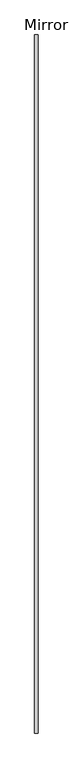
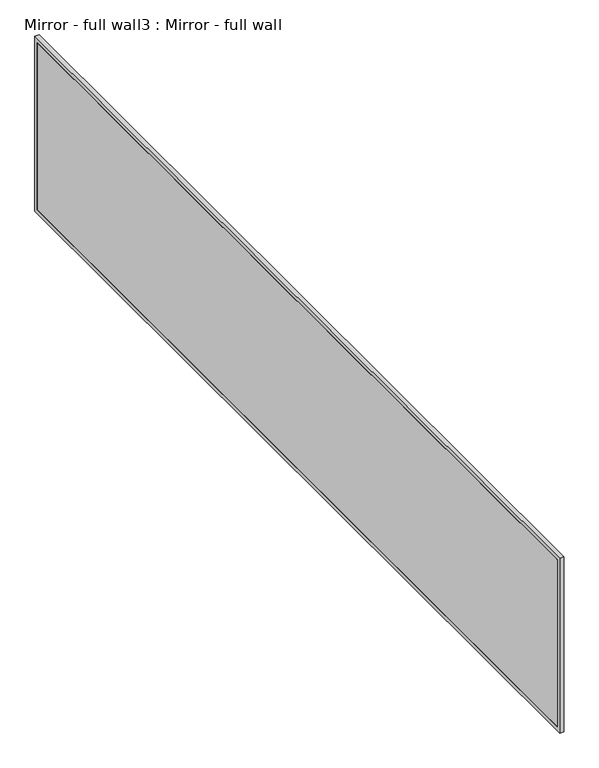
"""IFC4 building model written with IfcOpenShell, lengths in millimetres: proxy geometry, Mirror - full wall3 : Mirror - full wall."""

from ifc_helpers import new_model, si_unit, frame, origin, place, context, project, spatial, polyline, outline, extrude, source, transform, mapped, element, save


def mirror_full_wall3_mirror_full_wall_db65cd56(model_context):
    return source(origin(), model_context, "Body", "SweptSolid", [
        extrude(outline(polyline([(460884.3754676, -267245.2863632), (460884.3754676, -272692.9834908), (460871.6754676, -272692.9834908), (460871.6754676, -267245.2863632), (460884.3754676, -267245.2863632)])), frame((0.0, 0.0, 1041.4), z_axis=(0.0, 0.0, 1.0), x_axis=(1.0, 0.0, 0.0)), (0.0, 0.0, 1.0), 1066.8),
        extrude(outline(polyline([(-267219.8863632, 2133.6), (-267219.8863632, 1016.0), (-272718.9863632, 1016.0), (-272718.9863632, 2133.6), (-267219.8863632, 2133.6)]), holes=[polyline([(-267245.2863632, 2108.2), (-272692.9834908, 2108.2), (-272692.9834908, 1041.4), (-267245.2863632, 1041.4), (-267245.2863632, 2108.2)])]), frame((460871.6754676, 0.0, 0.0), z_axis=(1.0, 0.0, 0.0), x_axis=(0.0, 1.0, 0.0)), (0.0, 0.0, 1.0), 25.4),
    ])


if __name__ == "__main__":
    model = new_model("IFC4")
    model_context = context("Model", 3, world=origin())
    ifc_project = project(units=[si_unit("LENGTHUNIT", "METRE", prefix="MILLI")], contexts=[model_context])
    site = spatial("IfcSite", under=ifc_project)
    building = spatial("IfcBuilding", under=site)
    placement = place(None, origin())
    mirror_full_wall3_mirror_full_wall_shape = mirror_full_wall3_mirror_full_wall_db65cd56(model_context)
    element("IfcBuildingElementProxy", 1, Name="Mirror - full wall3 : Mirror - full wall", ObjectType="Mirror - full wall3 : Mirror - full wall", at=placement, inside=building, context=model_context, shape_type="MappedRepresentation", body=[
        mapped(mirror_full_wall3_mirror_full_wall_shape, transform((0.0, 0.0, 0.0), x_axis=(1.0, 0.0, 0.0), y_axis=(0.0, 1.0, 0.0), z_axis=(0.0, 0.0, 1.0))),
    ])
    save(model, "model.ifc")
